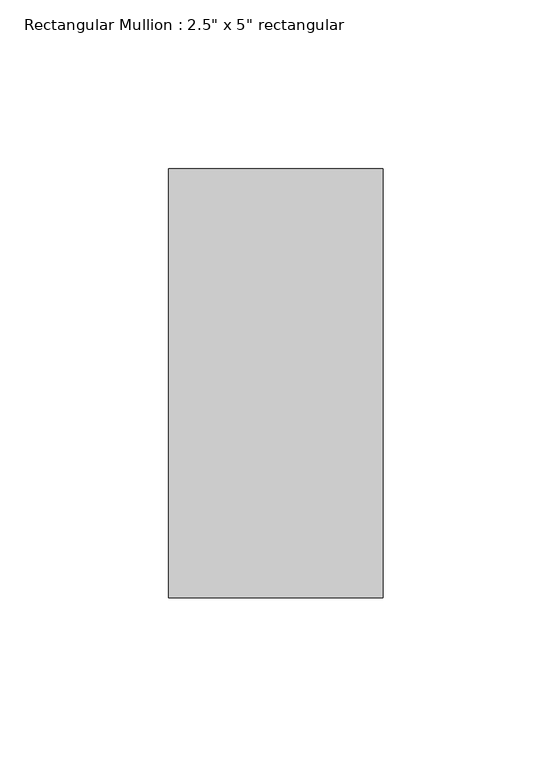
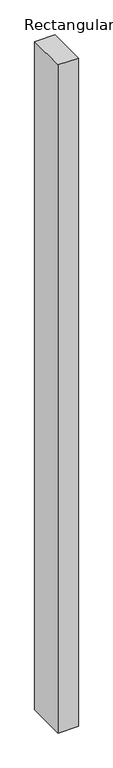
"""IFC4 building model written with IfcOpenShell, lengths in millimetres: member geometry."""

from ifc_helpers import new_model, si_unit, frame, origin, place, context, project, spatial, polyline, outline, extrude, source, transform, mapped, element, save


def member_e379ad24(model_context):
    return source(origin(), model_context, "Body", "SweptSolid", [
        extrude(outline(polyline([(0.0, 63.5), (0.0, -63.5), (-63.5, -63.5), (-63.5, 63.5), (0.0, 63.5)])), frame((0.0, 0.0, -2216.15), z_axis=(0.0, 0.0, 1.0), x_axis=(1.0, 0.0, 0.0)), (0.0, 0.0, 1.0), 2216.15),
    ])


if __name__ == "__main__":
    model = new_model("IFC4")
    model_context = context("Model", 3, world=origin())
    ifc_project = project(units=[si_unit("LENGTHUNIT", "METRE", prefix="MILLI")], contexts=[model_context])
    site = spatial("IfcSite", under=ifc_project)
    building = spatial("IfcBuilding", under=site)
    placement = place(None, origin())
    member_shape = member_e379ad24(model_context)
    element("IfcMember", 1, ObjectType="Rectangular Mullion : 2.5\" x 5\" rectangular", at=placement, inside=building, context=model_context, shape_type="MappedRepresentation", body=[
        mapped(member_shape, transform((0.0, 0.0, 0.0), x_axis=(1.0, 0.0, 0.0), y_axis=(0.0, 1.0, 0.0), z_axis=(0.0, 0.0, 1.0))),
    ])
    save(model, "model.ifc")
